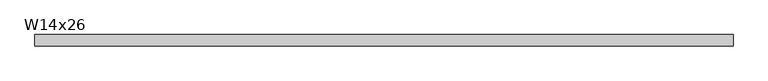
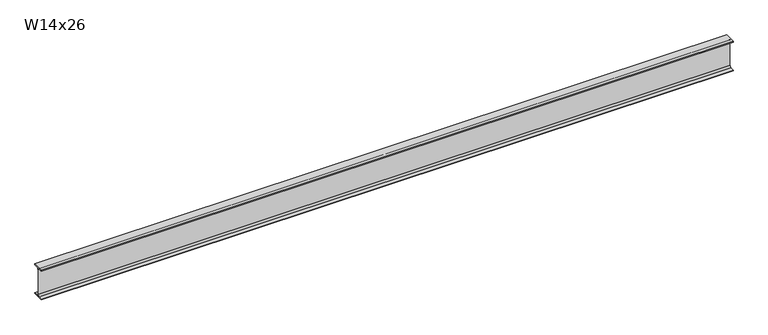
"""IFC4 building model written with IfcOpenShell, lengths in millimetres: beam geometry, W14x26."""

from ifc_helpers import new_model, si_unit, point, frame, frame_2d, origin, place, context, project, spatial, polyline, circle_curve, trimmed, segment, composite_curve, outline, extrude, source, transform, mapped, element, save


def w14x26_133a8a4d(model_context):
    return source(origin(), model_context, "Body", "SweptSolid", [
        extrude(outline(composite_curve([segment(polyline([(63.881, -165.862), (63.881, -176.53), (-63.881, -176.53), (-63.881, -165.862), (-21.1455, -165.862)]), True, "CONTINUOUS"), segment(trimmed(circle_curve(frame_2d((-21.1455, -147.955)), 17.907), [point((-21.1455, -165.862))], [point((-3.2385, -147.955))], True, "CARTESIAN"), True, "CONTINUOUS"), segment(polyline([(-3.2385, -147.955), (-3.2385, 147.955)]), True, "CONTINUOUS"), segment(trimmed(circle_curve(frame_2d((-21.1455, 147.955)), 17.907), [point((-3.2385, 147.955))], [point((-21.1455, 165.862))], True, "CARTESIAN"), True, "CONTINUOUS"), segment(polyline([(-21.1455, 165.862), (-63.881, 165.862), (-63.881, 176.53), (63.881, 176.53), (63.881, 165.862), (21.1455, 165.862)]), True, "CONTINUOUS"), segment(trimmed(circle_curve(frame_2d((21.1455, 147.955)), 17.907), [point((21.1455, 165.862))], [point((3.2385, 147.955))], True, "CARTESIAN"), True, "CONTINUOUS"), segment(polyline([(3.2385, 147.955), (3.2385, -147.955)]), True, "CONTINUOUS"), segment(trimmed(circle_curve(frame_2d((21.1455, -147.955)), 17.907), [point((3.2385, -147.955))], [point((21.1455, -165.862))], True, "CARTESIAN"), True, "CONTINUOUS"), segment(polyline([(21.1455, -165.862), (63.881, -165.862)]), True, "CONTINUOUS")], self_intersect=False)), frame((-3860.2963428, 0.0, 0.0), z_axis=(1.0, 0.0, 0.0), x_axis=(0.0, 1.0, 0.0)), (0.0, 0.0, 1.0), 7822.6963521),
    ])


if __name__ == "__main__":
    model = new_model("IFC4")
    model_context = context("Model", 3, world=origin())
    ifc_project = project(units=[si_unit("LENGTHUNIT", "METRE", prefix="MILLI")], contexts=[model_context])
    site = spatial("IfcSite", under=ifc_project)
    building = spatial("IfcBuilding", under=site)
    placement = place(None, origin())
    w14x26_shape = w14x26_133a8a4d(model_context)
    element("IfcBeam", 1, ObjectType="W14x26", at=placement, inside=building, context=model_context, shape_type="MappedRepresentation", body=[
        mapped(w14x26_shape, transform((0.0, 0.0, 0.0), x_axis=(1.0, 0.0, 0.0), y_axis=(0.0, 1.0, 0.0), z_axis=(0.0, 0.0, 1.0))),
    ])
    save(model, "model.ifc")
